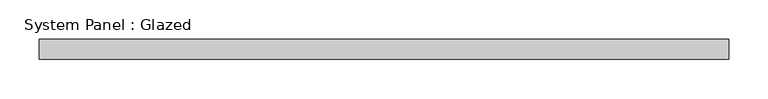
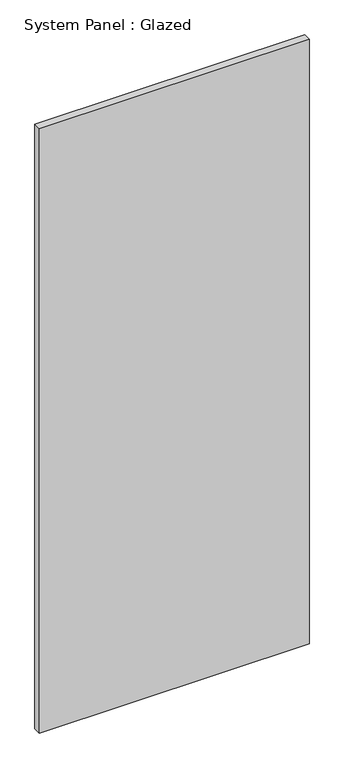
"""IFC4 building model written with IfcOpenShell, lengths in millimetres: plate geometry, System Panel : Glazed."""

from ifc_helpers import new_model, si_unit, origin, origin_with_axes, place, context, project, spatial, polyline, outline, extrude, source, transform, mapped, element, save


def system_panel_glazed_f7d2a0c5(model_context):
    return source(origin(), model_context, "Body", "SweptSolid", [
        extrude(outline(polyline([(438.15, -44.45), (-438.15, -44.45), (-438.15, -19.05), (438.15, -19.05), (438.15, -44.45)])), origin_with_axes(), (0.0, 0.0, 1.0), 2076.45),
    ])


if __name__ == "__main__":
    model = new_model("IFC4")
    model_context = context("Model", 3, world=origin())
    ifc_project = project(units=[si_unit("LENGTHUNIT", "METRE", prefix="MILLI")], contexts=[model_context])
    site = spatial("IfcSite", under=ifc_project)
    building = spatial("IfcBuilding", under=site)
    placement = place(None, origin())
    system_panel_glazed_shape = system_panel_glazed_f7d2a0c5(model_context)
    element("IfcPlate", 1, ObjectType="System Panel : Glazed", at=placement, inside=building, context=model_context, shape_type="MappedRepresentation", body=[
        mapped(system_panel_glazed_shape, transform((0.0, 0.0, 0.0), x_axis=(1.0, 0.0, 0.0), y_axis=(0.0, 1.0, 0.0), z_axis=(0.0, 0.0, 1.0))),
    ])
    save(model, "model.ifc")
